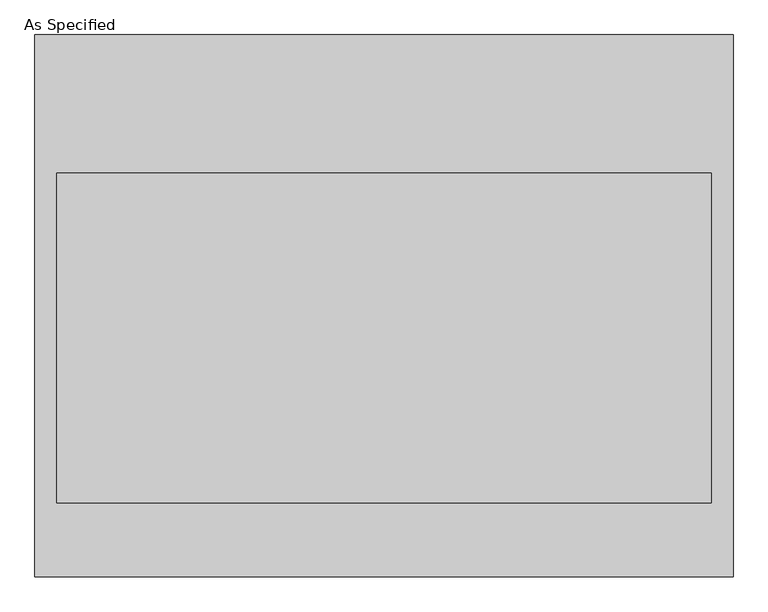
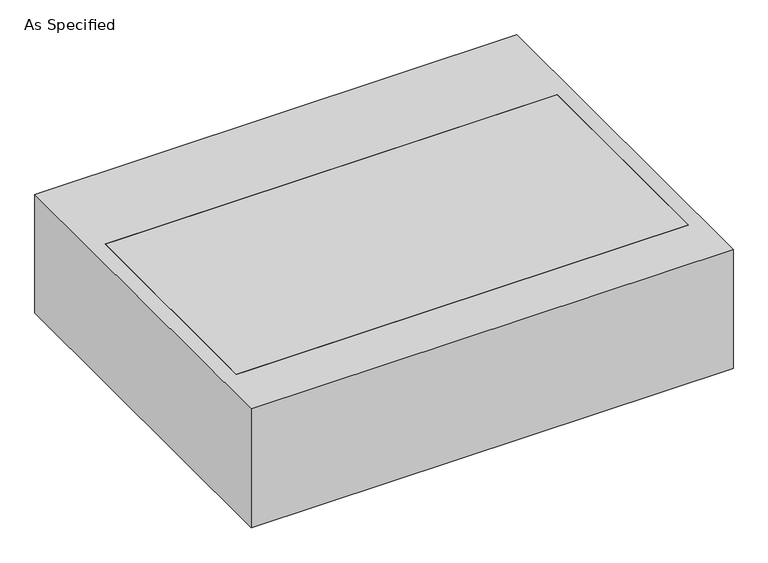
"""IFC4 building model written with IfcOpenShell, lengths in millimetres: proxy geometry, As Specified."""

from ifc_helpers import new_model, si_unit, frame, origin, place, context, project, spatial, polyline, outline, extrude, source, transform, mapped, element, save


def as_specified_e1284ed7(model_context):
    return source(origin(), model_context, "Body", "SweptSolid", [
        extrude(outline(polyline([(968.375, 752.475), (968.375, -752.475), (-968.375, -752.475), (-968.375, 752.475), (968.375, 752.475)]), holes=[polyline([(908.05, 368.3), (-908.05, 368.3), (-908.05, -546.1), (908.05, -546.1), (908.05, 368.3)])]), frame((0.0, 0.0, -530.225), z_axis=(0.0, 0.0, 1.0), x_axis=(1.0, 0.0, 0.0)), (0.0, 0.0, 1.0), 504.825),
        extrude(outline(polyline([(908.05, 368.3), (908.05, -546.1), (-908.05, -546.1), (-908.05, 368.3), (908.05, 368.3)])), frame((0.0, 0.0, -530.225), z_axis=(0.0, 0.0, 1.0), x_axis=(1.0, 0.0, 0.0)), (0.0, 0.0, 1.0), 504.825),
    ])


if __name__ == "__main__":
    model = new_model("IFC4")
    model_context = context("Model", 3, world=origin())
    ifc_project = project(units=[si_unit("LENGTHUNIT", "METRE", prefix="MILLI")], contexts=[model_context])
    site = spatial("IfcSite", under=ifc_project)
    building = spatial("IfcBuilding", under=site)
    placement = place(None, origin())
    as_specified_shape = as_specified_e1284ed7(model_context)
    element("IfcBuildingElementProxy", 1, Name="As Specified", ObjectType="As Specified", at=placement, inside=building, context=model_context, shape_type="MappedRepresentation", body=[
        mapped(as_specified_shape, transform((0.0, 0.0, 0.0), x_axis=(1.0, 0.0, 0.0), y_axis=(0.0, 1.0, 0.0), z_axis=(0.0, 0.0, 1.0))),
    ])
    save(model, "model.ifc")
